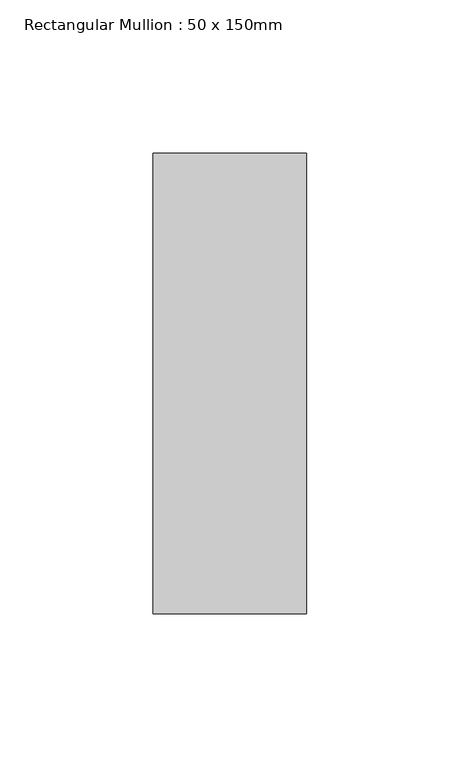
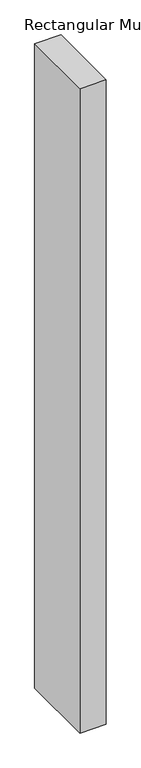
"""IFC4 building model written with IfcOpenShell, lengths in millimetres: member geometry, Rectangular Mullion : 50 x 150mm."""

from ifc_helpers import new_model, si_unit, frame, origin, place, context, project, spatial, polyline, outline, extrude, source, transform, mapped, element, save


def rectangular_mullion_50_x_150mm_d0db7fae(model_context):
    return source(origin(), model_context, "Body", "SweptSolid", [
        extrude(outline(polyline([(25.0, 75.0), (25.0, -75.0), (-25.0, -75.0), (-25.0, 75.0), (25.0, 75.0)])), frame((0.0, 0.0, -1300.0), z_axis=(0.0, 0.0, 1.0), x_axis=(1.0, 0.0, 0.0)), (0.0, 0.0, 1.0), 1300.0),
    ])


if __name__ == "__main__":
    model = new_model("IFC4")
    model_context = context("Model", 3, world=origin())
    ifc_project = project(units=[si_unit("LENGTHUNIT", "METRE", prefix="MILLI")], contexts=[model_context])
    site = spatial("IfcSite", under=ifc_project)
    building = spatial("IfcBuilding", under=site)
    placement = place(None, origin())
    rectangular_mullion_50_x_150mm_shape = rectangular_mullion_50_x_150mm_d0db7fae(model_context)
    element("IfcMember", 1, ObjectType="Rectangular Mullion : 50 x 150mm", at=placement, inside=building, context=model_context, shape_type="MappedRepresentation", body=[
        mapped(rectangular_mullion_50_x_150mm_shape, transform((0.0, 0.0, 0.0), x_axis=(1.0, 0.0, 0.0), y_axis=(0.0, 1.0, 0.0), z_axis=(0.0, 0.0, 1.0))),
    ])
    save(model, "model.ifc")
